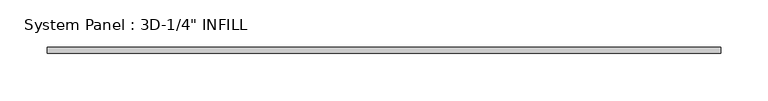
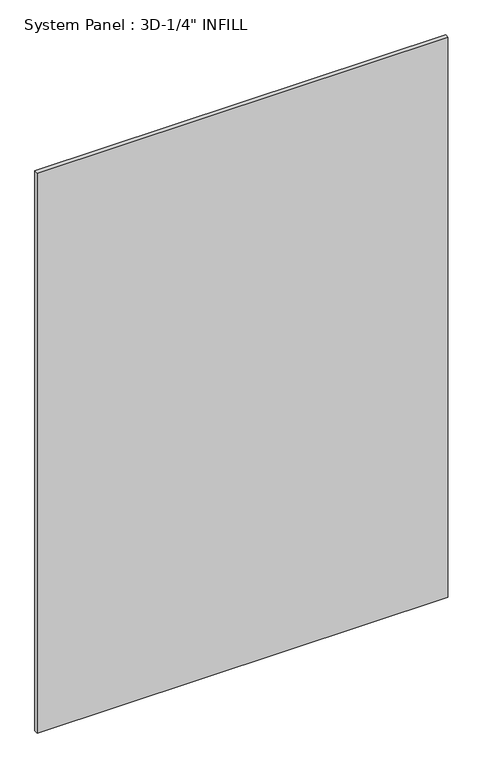
"""IFC4 building model written with IfcOpenShell, lengths in millimetres: plate geometry."""

from ifc_helpers import new_model, si_unit, origin, origin_with_axes, place, context, project, spatial, polyline, outline, extrude, source, transform, mapped, element, save


def plate_1bdebb2d(model_context):
    return source(origin(), model_context, "Body", "SweptSolid", [
        extrude(outline(polyline([(355.3161787, -3.175), (-355.3161787, -3.175), (-355.3161787, 3.175), (355.3161787, 3.175), (355.3161787, -3.175)])), origin_with_axes(), (0.0, 0.0, 1.0), 1024.5416877),
    ])


if __name__ == "__main__":
    model = new_model("IFC4")
    model_context = context("Model", 3, world=origin())
    ifc_project = project(units=[si_unit("LENGTHUNIT", "METRE", prefix="MILLI")], contexts=[model_context])
    site = spatial("IfcSite", under=ifc_project)
    building = spatial("IfcBuilding", under=site)
    placement = place(None, origin())
    plate_shape = plate_1bdebb2d(model_context)
    element("IfcPlate", 1, ObjectType="System Panel : 3D-1/4\" INFILL", at=placement, inside=building, context=model_context, shape_type="MappedRepresentation", body=[
        mapped(plate_shape, transform((0.0, 0.0, 0.0), x_axis=(1.0, 0.0, 0.0), y_axis=(0.0, 1.0, 0.0), z_axis=(0.0, 0.0, 1.0))),
    ])
    save(model, "model.ifc")
